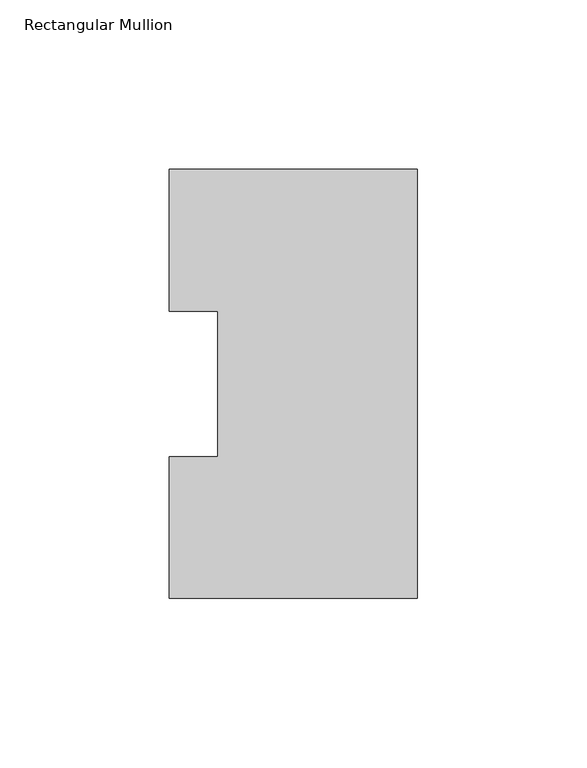
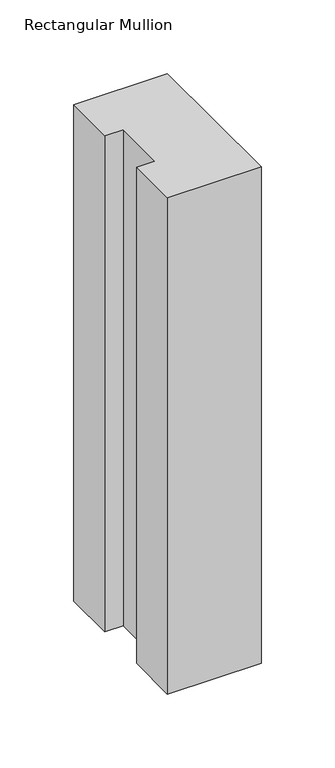
"""IFC4 building model written with IfcOpenShell, lengths in millimetres: member geometry, Rectangular Mullion."""

from ifc_helpers import new_model, si_unit, frame, origin, place, context, project, spatial, polyline, outline, extrude, source, transform, mapped, element, save


def rectangular_mullion_8e6a8263(model_context):
    return source(origin(), model_context, "Body", "SweptSolid", [
        extrude(outline(polyline([(0.0, 126.75235), (0.0, 0.26035), (-73.025, 0.26035), (-73.025, 42.08145), (-58.7375, 42.08145), (-58.7375, 84.93125), (-73.025, 84.93125), (-73.025, 126.75235), (0.0, 126.75235)])), frame((0.0, 0.0, -409.575), z_axis=(0.0, 0.0, 1.0), x_axis=(1.0, 0.0, 0.0)), (0.0, 0.0, 1.0), 409.575),
    ])


if __name__ == "__main__":
    model = new_model("IFC4")
    model_context = context("Model", 3, world=origin())
    ifc_project = project(units=[si_unit("LENGTHUNIT", "METRE", prefix="MILLI")], contexts=[model_context])
    site = spatial("IfcSite", under=ifc_project)
    building = spatial("IfcBuilding", under=site)
    placement = place(None, origin())
    rectangular_mullion_shape = rectangular_mullion_8e6a8263(model_context)
    element("IfcMember", 1, ObjectType="Rectangular Mullion", at=placement, inside=building, context=model_context, shape_type="MappedRepresentation", body=[
        mapped(rectangular_mullion_shape, transform((0.0, 0.0, 0.0), x_axis=(1.0, 0.0, 0.0), y_axis=(0.0, 1.0, 0.0), z_axis=(0.0, 0.0, 1.0))),
    ])
    save(model, "model.ifc")
